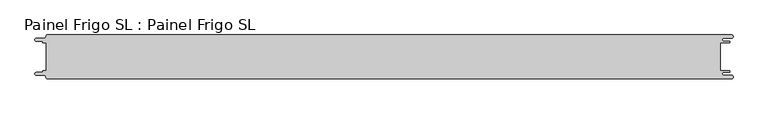
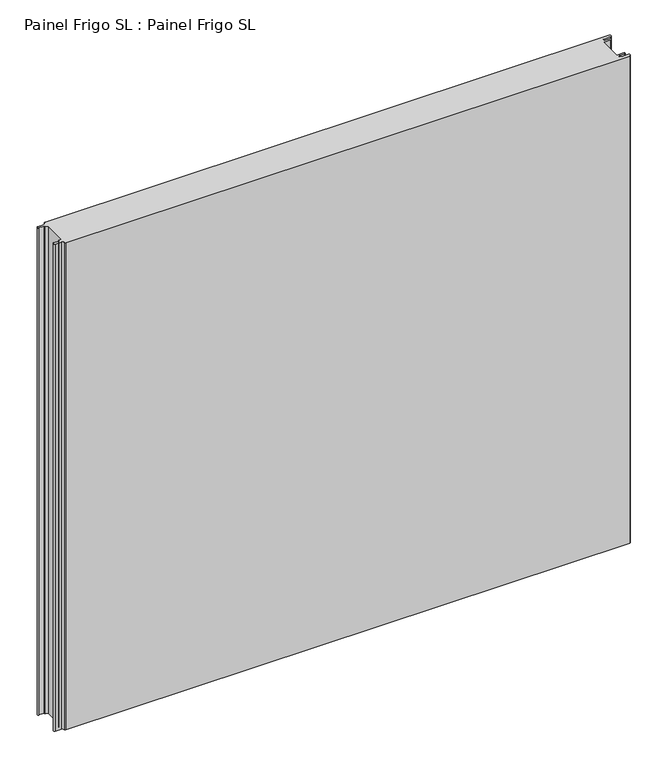
"""IFC4 building model written with IfcOpenShell, lengths in millimetres: proxy geometry, Painel Frigo SL : Painel Frigo SL."""

from ifc_helpers import new_model, si_unit, frame, origin, place, context, project, spatial, polyline, circle_curve, source, transform, mapped, element, save
from ifc_brep_helpers import plane_surface, cylinder_surface, revolved_surface, advanced_brep


def painel_frigo_sl_painel_frigo_sl_f5e6d740(model_context):
    return source(origin(), model_context, "Body", "AdvancedBrep", [
        advanced_brep(
        [(-554.5874998, 22.3, 1000.0), (-549.2999612, 22.3, 1000.0), (-549.2999612, -22.2999995, 1000.0), (-554.5874998, -22.2999995, 1000.0), (-555.1875003, -22.9, 1000.0), (-555.1875003, -23.7085185, 1000.0), (-556.5875003, -25.1085185, 1000.0), (-565.565625, -25.1085185, 1000.0), (-565.565625, -29.5085185, 1000.0), (-553.55, -29.5085185, 1000.0), (-550.0, -33.0585185, 1000.0), (-548.05, -35.0, 1000.0), (546.89375, -35.0, 1000.0), (546.89375, -29.725, 1000.0), (534.45625, -29.725, 1000.0), (534.45625, -24.875, 1000.0), (543.1187503, -24.875, 1000.0), (543.1187503, -22.3, 1000.0), (529.2687503, -22.3, 1000.0), (529.2687503, 22.3, 1000.0), (543.1187503, 22.3, 1000.0), (543.1187503, 24.875, 1000.0), (534.45625, 24.875, 1000.0), (534.45625, 29.725, 1000.0), (546.89375, 29.725, 1000.0), (546.89375, 35.0, 1000.0), (-548.05, 35.0, 1000.0), (-550.0, 33.05, 1000.0), (-553.55, 29.5085185, 1000.0), (-565.565625, 29.5085185, 1000.0), (-565.565625, 25.1085187, 1000.0), (-556.5875001, 25.1085187, 1000.0), (-555.1874998, 23.7085184, 1000.0), (-555.1874998, 22.9, 1000.0), (-554.5874998, 22.3, 0.0), (-555.1874998, 22.9, 0.0), (-555.1874998, 23.7085184, 0.0), (-556.5875001, 25.1085187, 0.0), (-565.565625, 25.1085187, 0.0), (-565.565625, 29.5085185, 0.0), (-553.55, 29.5085185, 0.0), (-550.0, 33.0585185, 0.0), (-548.05, 35.0, 0.0), (546.89375, 35.0, 0.0), (546.89375, 29.725, 0.0), (534.45625, 29.725, 0.0), (534.45625, 24.875, 0.0), (543.1187503, 24.875, 0.0), (543.1187503, 22.3, 0.0), (529.2687503, 22.3, 0.0), (529.2687503, -22.3, 0.0), (543.1187503, -22.3, 0.0), (543.1187503, -24.875, 0.0), (534.45625, -24.875, 0.0), (534.45625, -29.725, 0.0), (546.89375, -29.725, 0.0), (546.89375, -35.0, 0.0), (-548.05, -35.0, 0.0), (-550.0, -33.05, 0.0), (-553.55, -29.5085185, 0.0), (-565.565625, -29.5085185, 0.0), (-565.565625, -25.1085185, 0.0), (-556.5875003, -25.1085185, 0.0), (-555.1875003, -23.7085185, 0.0), (-555.1875003, -22.9, 0.0), (-554.5874998, -22.2999995, 0.0), (-549.2999612, -22.2999995, 0.0), (-549.2999612, 22.3, 0.0)],
        [
            (0, 1),
            (1, 2),
            (2, 3),
            (3, 4, circle_curve(frame((-554.5874998, -22.9, 1000.0), z_axis=(0.0, 0.0, 1.0), x_axis=(1.0, 0.0, 0.0)), 0.6000005)),
            (4, 5),
            (5, 6, circle_curve(frame((-556.5875003, -23.7085185, 1000.0), z_axis=(0.0, 0.0, -1.0), x_axis=(1.0, 0.0, 0.0)), 1.4)),
            (6, 7),
            (7, 8, circle_curve(frame((-565.565625, -27.3085185, 1000.0), z_axis=(0.0, 0.0, 1.0), x_axis=(1.0, 0.0, 0.0)), 2.2)),
            (8, 9),
            (9, 10, circle_curve(frame((-553.55, -33.0585185, 1000.0), z_axis=(0.0, 0.0, -1.0), x_axis=(1.0, 0.0, 0.0)), 3.55)),
            (10, 11, circle_curve(frame((-548.05, -33.05, 1000.0), z_axis=(0.0, 0.0, 1.0), x_axis=(1.0, 0.0, 0.0)), 1.95)),
            (11, 12),
            (12, 13, circle_curve(frame((546.89375, -32.3625, 1000.0), z_axis=(0.0, 0.0, 1.0), x_axis=(1.0, 0.0, 0.0)), 2.6375)),
            (13, 14),
            (14, 15, circle_curve(frame((534.45625, -27.3, 1000.0), z_axis=(0.0, 0.0, -1.0), x_axis=(1.0, 0.0, 0.0)), 2.425)),
            (15, 16),
            (16, 17, circle_curve(frame((543.1187503, -23.5875, 1000.0), z_axis=(0.0, 0.0, 1.0), x_axis=(1.0, 0.0, 0.0)), 1.2875)),
            (17, 18),
            (18, 19),
            (19, 20),
            (20, 21, circle_curve(frame((543.1187503, 23.5875, 1000.0), z_axis=(0.0, 0.0, 1.0), x_axis=(1.0, 0.0, 0.0)), 1.2875)),
            (21, 22),
            (22, 23, circle_curve(frame((534.45625, 27.3, 1000.0), z_axis=(0.0, 0.0, -1.0), x_axis=(1.0, 0.0, 0.0)), 2.425)),
            (23, 24),
            (24, 25, circle_curve(frame((546.89375, 32.3625, 1000.0), z_axis=(0.0, 0.0, 1.0), x_axis=(1.0, 0.0, 0.0)), 2.6375)),
            (25, 26),
            (26, 27, circle_curve(frame((-548.05, 33.05, 1000.0), z_axis=(0.0, 0.0, 1.0), x_axis=(1.0, 0.0, 0.0)), 1.95)),
            (27, 28, circle_curve(frame((-553.55, 33.0585185, 1000.0), z_axis=(0.0, 0.0, -1.0), x_axis=(1.0, 0.0, 0.0)), 3.55)),
            (28, 29),
            (29, 30, circle_curve(frame((-565.565625, 27.3085186, 1000.0), z_axis=(0.0, 0.0, 1.0), x_axis=(1.0, 0.0, 0.0)), 2.1999999)),
            (30, 31),
            (31, 32, circle_curve(frame((-556.5875001, 23.7085184, 1000.0), z_axis=(0.0, 0.0, -1.0), x_axis=(1.0, 0.0, 0.0)), 1.4000003)),
            (32, 33),
            (33, 0, circle_curve(frame((-554.5874998, 22.9, 1000.0), z_axis=(0.0, 0.0, 1.0), x_axis=(1.0, 0.0, 0.0)), 0.6)),
            (34, 35, circle_curve(frame((-554.5874998, 22.9, 0.0), z_axis=(0.0, 0.0, -1.0), x_axis=(1.0, 0.0, 0.0)), 0.6)),
            (35, 36),
            (36, 37, circle_curve(frame((-556.5875001, 23.7085184, 0.0), z_axis=(0.0, 0.0, 1.0), x_axis=(1.0, 0.0, 0.0)), 1.4000003)),
            (37, 38),
            (38, 39, circle_curve(frame((-565.565625, 27.3085186, 0.0), z_axis=(0.0, 0.0, -1.0), x_axis=(1.0, 0.0, 0.0)), 2.1999999)),
            (39, 40),
            (40, 41, circle_curve(frame((-553.55, 33.0585185, 0.0), z_axis=(0.0, 0.0, 1.0), x_axis=(1.0, 0.0, 0.0)), 3.55)),
            (41, 42, circle_curve(frame((-548.05, 33.05, 0.0), z_axis=(0.0, 0.0, -1.0), x_axis=(1.0, 0.0, 0.0)), 1.95)),
            (42, 43),
            (43, 44, circle_curve(frame((546.89375, 32.3625, 0.0), z_axis=(0.0, 0.0, -1.0), x_axis=(1.0, 0.0, 0.0)), 2.6375)),
            (44, 45),
            (45, 46, circle_curve(frame((534.45625, 27.3, 0.0), z_axis=(0.0, 0.0, 1.0), x_axis=(1.0, 0.0, 0.0)), 2.425)),
            (46, 47),
            (47, 48, circle_curve(frame((543.1187503, 23.5875, 0.0), z_axis=(0.0, 0.0, -1.0), x_axis=(1.0, 0.0, 0.0)), 1.2875)),
            (48, 49),
            (49, 50),
            (50, 51),
            (51, 52, circle_curve(frame((543.1187503, -23.5875, 0.0), z_axis=(0.0, 0.0, -1.0), x_axis=(1.0, 0.0, 0.0)), 1.2875)),
            (52, 53),
            (53, 54, circle_curve(frame((534.45625, -27.3, 0.0), z_axis=(0.0, 0.0, 1.0), x_axis=(1.0, 0.0, 0.0)), 2.425)),
            (54, 55),
            (55, 56, circle_curve(frame((546.89375, -32.3625, 0.0), z_axis=(0.0, 0.0, -1.0), x_axis=(1.0, 0.0, 0.0)), 2.6375)),
            (56, 57),
            (57, 58, circle_curve(frame((-548.05, -33.05, 0.0), z_axis=(0.0, 0.0, -1.0), x_axis=(1.0, 0.0, 0.0)), 1.95)),
            (58, 59, circle_curve(frame((-553.55, -33.0585185, 0.0), z_axis=(0.0, 0.0, 1.0), x_axis=(1.0, 0.0, 0.0)), 3.55)),
            (59, 60),
            (60, 61, circle_curve(frame((-565.565625, -27.3085185, 0.0), z_axis=(0.0, 0.0, -1.0), x_axis=(1.0, 0.0, 0.0)), 2.2)),
            (61, 62),
            (62, 63, circle_curve(frame((-556.5875003, -23.7085185, 0.0), z_axis=(0.0, 0.0, 1.0), x_axis=(1.0, 0.0, 0.0)), 1.4)),
            (63, 64),
            (64, 65, circle_curve(frame((-554.5874998, -22.9, 0.0), z_axis=(0.0, 0.0, -1.0), x_axis=(1.0, 0.0, 0.0)), 0.6000005)),
            (65, 66),
            (66, 67),
            (67, 34),
            (0, 34),
            (67, 1),
            (66, 2),
            (65, 3),
            (64, 4),
            (63, 5),
            (62, 6),
            (61, 7),
            (60, 8),
            (59, 9),
            (58, 10),
            (57, 11),
            (56, 12),
            (18, 50),
            (49, 19),
            (48, 20),
            (47, 21),
            (46, 22),
            (45, 23),
            (44, 24),
            (43, 25),
            (42, 26),
            (41, 27),
            (40, 28),
            (39, 29),
            (38, 30),
            (37, 31),
            (36, 32),
            (35, 33),
            (55, 13),
            (54, 14),
            (53, 15),
            (52, 16),
            (51, 17),
        ],
        [
            plane_surface(frame((-549.2999612, 22.3, 1000.0), z_axis=(0.0, 0.0, 1.0), x_axis=(1.0, 0.0, 0.0))),
            plane_surface(frame((-549.2999612, 22.3, 0.0), z_axis=(0.0, 0.0, -1.0), x_axis=(-1.0, 0.0, 0.0))),
            plane_surface(frame((-554.5874998, 22.3, 1000.0), z_axis=(0.0, -1.0, 0.0), x_axis=(0.0, 0.0, -1.0))),
            plane_surface(frame((-549.2999612, 22.3, 1000.0), z_axis=(-1.0, 0.0, 0.0), x_axis=(0.0, 0.0, -1.0))),
            plane_surface(frame((-549.2999612, -22.2999995, 1000.0), z_axis=(0.0, 1.0, 0.0), x_axis=(0.0, 0.0, -1.0))),
            cylinder_surface(frame((-554.5874998, -22.9, 0.0), z_axis=(0.0, 0.0, 1.0), x_axis=(1.0, 0.0, 0.0)), 0.6000005),
            plane_surface(frame((-555.1875003, -22.9, 1000.0), z_axis=(-1.0, 1.7578608662329244e-12, 0.0), x_axis=(0.0, 0.0, -1.0))),
            revolved_surface(polyline([(-555.1875003, -23.7085185, 0.0), (-555.1875003, -23.7085185, 1000.0)]), (-556.5875003, -23.7085185, 0.0), (0.0, 0.0, -1.0)),
            plane_surface(frame((-556.5875003, -25.1085185, 1000.0), z_axis=(0.0, 1.0, 0.0), x_axis=(0.0, 0.0, -1.0))),
            cylinder_surface(frame((-565.565625, -27.3085185, 0.0), z_axis=(0.0, 0.0, 1.0), x_axis=(1.0, 0.0, 0.0)), 2.2),
            plane_surface(frame((-565.565625, -29.5085185, 1000.0), z_axis=(0.0, -1.0, 0.0), x_axis=(0.0, 0.0, -1.0))),
            revolved_surface(polyline([(-550.0, -33.0585185, 0.0), (-550.0, -33.0585185, 1000.0)]), (-553.55, -33.0585185, 0.0), (0.0, 0.0, -1.0)),
            cylinder_surface(frame((-548.05, -33.05, 0.0), z_axis=(0.0, 0.0, 1.0), x_axis=(1.0, 0.0, 0.0)), 1.95),
            plane_surface(frame((-548.05, -35.0, 1000.0), z_axis=(0.0, -1.0, 0.0), x_axis=(0.0, 0.0, -1.0))),
            plane_surface(frame((529.2687503, -22.3, 1000.0), z_axis=(1.0, 0.0, 0.0), x_axis=(0.0, 0.0, -1.0))),
            plane_surface(frame((529.2687503, 22.3, 1000.0), z_axis=(0.0, -1.0, 0.0), x_axis=(0.0, 0.0, -1.0))),
            cylinder_surface(frame((543.1187503, 23.5875, 0.0), z_axis=(0.0, 0.0, 1.0), x_axis=(1.0, 0.0, 0.0)), 1.2875),
            plane_surface(frame((543.1187503, 24.875, 1000.0), z_axis=(0.0, 1.0, 0.0), x_axis=(0.0, 0.0, -1.0))),
            revolved_surface(polyline([(536.8812499999999, 27.3, 0.0), (536.8812499999999, 27.3, 1000.0)]), (534.45625, 27.3, 0.0), (0.0, 0.0, -1.0)),
            plane_surface(frame((534.45625, 29.725, 1000.0), z_axis=(0.0, -1.0, 0.0), x_axis=(0.0, 0.0, -1.0))),
            cylinder_surface(frame((546.89375, 32.3625, 0.0), z_axis=(0.0, 0.0, 1.0), x_axis=(1.0, 0.0, 0.0)), 2.6375),
            plane_surface(frame((546.89375, 35.0, 1000.0), z_axis=(0.0, 1.0, 0.0), x_axis=(0.0, 0.0, -1.0))),
            cylinder_surface(frame((-548.05, 33.05, 0.0), z_axis=(0.0, 0.0, 1.0), x_axis=(1.0, 0.0, 0.0)), 1.95),
            revolved_surface(polyline([(-550.0, 33.0585185, 0.0), (-550.0, 33.0585185, 1000.0)]), (-553.55, 33.0585185, 0.0), (0.0, 0.0, -1.0)),
            plane_surface(frame((-553.55, 29.5085185, 1000.0), z_axis=(0.0, 1.0, 0.0), x_axis=(0.0, 0.0, -1.0))),
            cylinder_surface(frame((-565.565625, 27.3085186, 0.0), z_axis=(0.0, 0.0, 1.0), x_axis=(1.0, 0.0, 0.0)), 2.1999999),
            plane_surface(frame((-565.565625, 25.1085187, 1000.0), z_axis=(0.0, -1.0, 0.0), x_axis=(0.0, 0.0, -1.0))),
            revolved_surface(polyline([(-555.1874998000001, 23.7085184, 0.0), (-555.1874998000001, 23.7085184, 1000.0)]), (-556.5875001, 23.7085184, 0.0), (0.0, 0.0, -1.0)),
            plane_surface(frame((-555.1874998, 23.7085184, 1000.0), z_axis=(-1.0, 0.0, 0.0), x_axis=(0.0, 0.0, -1.0))),
            cylinder_surface(frame((-554.5874998, 22.9, 0.0), z_axis=(0.0, 0.0, 1.0), x_axis=(1.0, 0.0, 0.0)), 0.6),
            cylinder_surface(frame((546.89375, -32.3625, 0.0), z_axis=(0.0, 0.0, 1.0), x_axis=(1.0, 0.0, 0.0)), 2.6375),
            plane_surface(frame((546.89375, -29.725, 1000.0), z_axis=(0.0, 1.0, 0.0), x_axis=(0.0, 0.0, -1.0))),
            revolved_surface(polyline([(536.8812499999999, -27.3, 0.0), (536.8812499999999, -27.3, 1000.0)]), (534.45625, -27.3, 0.0), (0.0, 0.0, -1.0)),
            plane_surface(frame((534.45625, -24.875, 1000.0), z_axis=(0.0, -1.0, 0.0), x_axis=(0.0, 0.0, -1.0))),
            cylinder_surface(frame((543.1187503, -23.5875, 0.0), z_axis=(0.0, 0.0, 1.0), x_axis=(1.0, 0.0, 0.0)), 1.2875),
            plane_surface(frame((543.1187503, -22.3, 1000.0), z_axis=(0.0, 1.0, 0.0), x_axis=(0.0, 0.0, -1.0))),
        ],
        [
            (0, [[1, 2, 3, 4, 5, 6, 7, 8, 9, 10, 11, 12, 13, 14, 15, 16, 17, 18, 19, 20, 21, 22, 23, 24, 25, 26, 27, 28, 29, 30, 31, 32, 33, 34]]),
            (1, [[35, 36, 37, 38, 39, 40, 41, 42, 43, 44, 45, 46, 47, 48, 49, 50, 51, 52, 53, 54, 55, 56, 57, 58, 59, 60, 61, 62, 63, 64, 65, 66, 67, 68]]),
            (2, [[-1, 69, -68, 70]]),
            (3, [[-2, -70, -67, 71]]),
            (4, [[-3, -71, -66, 72]]),
            (5, [[-4, -72, -65, 73]]),
            (6, [[-5, -73, -64, 74]]),
            (7, [[-6, -74, -63, 75]]),
            (8, [[-7, -75, -62, 76]]),
            (9, [[-8, -76, -61, 77]]),
            (10, [[-9, -77, -60, 78]]),
            (11, [[-10, -78, -59, 79]]),
            (12, [[-11, -79, -58, 80]]),
            (13, [[-12, -80, -57, 81]]),
            (14, [[-19, 82, -50, 83]]),
            (15, [[-20, -83, -49, 84]]),
            (16, [[-21, -84, -48, 85]]),
            (17, [[-22, -85, -47, 86]]),
            (18, [[-23, -86, -46, 87]]),
            (19, [[-24, -87, -45, 88]]),
            (20, [[-25, -88, -44, 89]]),
            (21, [[-26, -89, -43, 90]]),
            (22, [[-27, -90, -42, 91]]),
            (23, [[-28, -91, -41, 92]]),
            (24, [[-29, -92, -40, 93]]),
            (25, [[-30, -93, -39, 94]]),
            (26, [[-31, -94, -38, 95]]),
            (27, [[-32, -95, -37, 96]]),
            (28, [[-33, -96, -36, 97]]),
            (29, [[-34, -97, -35, -69]]),
            (30, [[-13, -81, -56, 98]]),
            (31, [[-14, -98, -55, 99]]),
            (32, [[-15, -99, -54, 100]]),
            (33, [[-16, -100, -53, 101]]),
            (34, [[-17, -101, -52, 102]]),
            (35, [[-18, -102, -51, -82]]),
        ],
    ),
    ])


if __name__ == "__main__":
    model = new_model("IFC4")
    model_context = context("Model", 3, world=origin())
    ifc_project = project(units=[si_unit("LENGTHUNIT", "METRE", prefix="MILLI")], contexts=[model_context])
    site = spatial("IfcSite", under=ifc_project)
    building = spatial("IfcBuilding", under=site)
    placement = place(None, origin())
    painel_frigo_sl_painel_frigo_sl_shape = painel_frigo_sl_painel_frigo_sl_f5e6d740(model_context)
    element("IfcBuildingElementProxy", 1, Name="Painel Frigo SL : Painel Frigo SL", ObjectType="Painel Frigo SL : Painel Frigo SL", at=placement, inside=building, context=model_context, shape_type="MappedRepresentation", body=[
        mapped(painel_frigo_sl_painel_frigo_sl_shape, transform((0.0, 0.0, 0.0), x_axis=(1.0, 0.0, 0.0), y_axis=(0.0, 1.0, 0.0), z_axis=(0.0, 0.0, 1.0))),
    ])
    save(model, "model.ifc")
